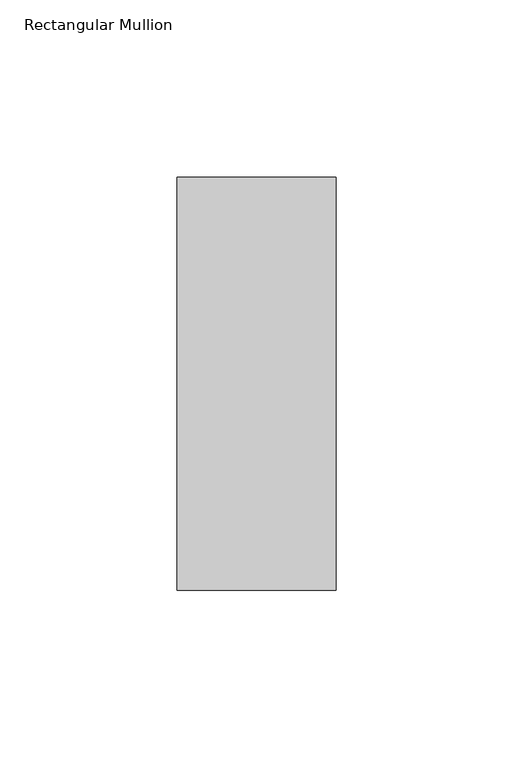
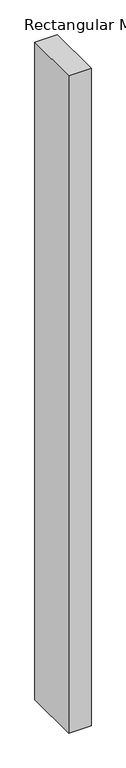
"""IFC4 building model written with IfcOpenShell, lengths in millimetres: member geometry, Rectangular Mullion."""

import ifcopenshell
import ifcopenshell.guid

model = None  # the IFC model being written
_history = None  # IfcOwnerHistory: only IFC2X3 demands one
_inside = {}  # id of a spatial element -> (the spatial element, [elements in it])
_under = {}  # id of a project, library or spatial element -> (it, [spatial elements below it])
_declared = {}  # id of a project -> (the project, [libraries it declares])
_typed = {}  # id of a type object -> (the type object, [elements of that type])
_made_of = {}  # id of a material, layer set ... -> (it, [elements and type objects made of it])


def new_model(schema):
    """Start an empty IFC model of exactly this schema.

    Asked for "IFC4X3", IfcOpenShell would pick the latest addendum, in which some entities
    have other attributes; the version numbers below select the first issue.
    IFC2X3 requires an IfcOwnerHistory on every rooted entity: one is made here for all.
    """
    global model, _history
    if schema == "IFC4X3":
        model = ifcopenshell.file(schema_version=(4, 3, 0, 0))
    else:
        model = ifcopenshell.file(schema=schema)
    _inside.clear()
    _under.clear()
    _declared.clear()
    _typed.clear()
    _made_of.clear()
    _history = None
    if model.schema == "IFC2X3":
        org = make("IfcOrganization", Name="unknown")
        user = make(
            "IfcPersonAndOrganization",
            ThePerson=make("IfcPerson", FamilyName="unknown"),
            TheOrganization=org,
        )
        app = make(
            "IfcApplication",
            ApplicationDeveloper=org,
            Version="unknown",
            ApplicationFullName="unknown",
            ApplicationIdentifier="unknown",
        )
        _history = make(
            "IfcOwnerHistory",
            OwningUser=user,
            OwningApplication=app,
            ChangeAction="ADDED",
            CreationDate=0,
        )
    return model


def make(cls, **values):
    """One entity of the class cls with the attributes given. An attribute that is None is left unset."""
    return model.create_entity(
        cls, **{name: value for name, value in values.items() if value is not None}
    )


def rooted(cls, **values):
    """An entity with a GlobalId (a new one), such as an element, a storey or a relation."""
    return make(cls, GlobalId=ifcopenshell.guid.new(), OwnerHistory=_history, **values)


def si_unit(unit_type, name, prefix=None):
    """IfcSIUnit, for example si_unit("LENGTHUNIT", "METRE", prefix="MILLI")."""
    return make("IfcSIUnit", UnitType=unit_type, Prefix=prefix, Name=name)


def assignment(units):
    """IfcUnitAssignment: the units of a project."""
    return None if units is None else make("IfcUnitAssignment", Units=units)


def point(xyz):
    """IfcCartesianPoint."""
    return None if xyz is None else make("IfcCartesianPoint", Coordinates=xyz)


def direction(xyz):
    """IfcDirection."""
    return None if xyz is None else make("IfcDirection", DirectionRatios=xyz)


def frame(location, z_axis=None, x_axis=None):
    """IfcAxis2Placement3D, a coordinate frame: its origin and axes. An axis left out is left unset."""
    return make(
        "IfcAxis2Placement3D",
        Location=point(location),
        Axis=direction(z_axis),
        RefDirection=direction(x_axis),
    )


def origin():
    """The frame at (0, 0, 0) with its axes left unset."""
    return frame((0.0, 0.0, 0.0))


def place(relative_to, where):
    """IfcLocalPlacement: puts the frame where relative to a parent placement (None: the world)."""
    return make(
        "IfcLocalPlacement", PlacementRelTo=relative_to, RelativePlacement=where
    )


def context(
    kind, dimensions, precision=None, world=None, true_north=None, identifier=None
):
    """IfcGeometricRepresentationContext, for example the 3D "Model" context."""
    return make(
        "IfcGeometricRepresentationContext",
        ContextIdentifier=identifier,
        ContextType=kind,
        CoordinateSpaceDimension=dimensions,
        Precision=precision,
        WorldCoordinateSystem=world,
        TrueNorth=true_north,
    )


def project(units=None, contexts=None):
    """IfcProject with its units and contexts."""
    return rooted(
        "IfcProject",
        Name="project",
        RepresentationContexts=contexts,
        UnitsInContext=assignment(units),
    )


def spatial(cls, under=None, at=None, **own):
    """A site, building, storey or space (cls), placed at a placement, below another one or the project."""
    s = rooted(cls, ObjectPlacement=at, **own)
    if under is not None:
        _under.setdefault(under.id(), (under, []))[1].append(s)
    return s


def polyline(points):
    """IfcPolyline through the points."""
    return make("IfcPolyline", Points=[point(p) for p in points])


def outline(outer, holes=None, kind="AREA"):
    """IfcArbitraryClosedProfileDef: a profile drawn as a closed curve; with holes, ...WithVoids."""
    if holes is None:
        return make("IfcArbitraryClosedProfileDef", ProfileType=kind, OuterCurve=outer)
    return make(
        "IfcArbitraryProfileDefWithVoids",
        ProfileType=kind,
        OuterCurve=outer,
        InnerCurves=holes,
    )


def extrude(swept, where, along, depth):
    """IfcExtrudedAreaSolid: the profile swept, set in the frame where, extruded along a direction by depth."""
    return make(
        "IfcExtrudedAreaSolid",
        SweptArea=swept,
        Position=where,
        ExtrudedDirection=direction(along),
        Depth=depth,
    )


def shape(context_of_items, identifier, shape_type, items):
    """IfcShapeRepresentation: the items that make up one representation, for example the "Body"."""
    return make(
        "IfcShapeRepresentation",
        ContextOfItems=context_of_items,
        RepresentationIdentifier=identifier,
        RepresentationType=shape_type,
        Items=items,
    )


def source(mapping_origin, context_of_items, identifier, shape_type, items):
    """IfcRepresentationMap: a shape defined once, which mapped items show again and again."""
    return make(
        "IfcRepresentationMap",
        MappingOrigin=mapping_origin,
        MappedRepresentation=shape(context_of_items, identifier, shape_type, items),
    )


def transform(
    local_origin,
    x_axis=None,
    y_axis=None,
    z_axis=None,
    scale=None,
    scale2=None,
    scale3=None,
    uniform=True,
):
    """IfcCartesianTransformationOperator3D, or its non-uniform kind. x_axis, y_axis, z_axis: its Axis1, 2, 3."""
    if uniform:
        return make(
            "IfcCartesianTransformationOperator3D",
            Axis1=direction(x_axis),
            Axis2=direction(y_axis),
            LocalOrigin=point(local_origin),
            Scale=scale,
            Axis3=direction(z_axis),
        )
    return make(
        "IfcCartesianTransformationOperator3DnonUniform",
        Axis1=direction(x_axis),
        Axis2=direction(y_axis),
        LocalOrigin=point(local_origin),
        Scale=scale,
        Axis3=direction(z_axis),
        Scale2=scale2,
        Scale3=scale3,
    )


def mapped(mapping_source, mapping_target):
    """IfcMappedItem: shows the shape of a source again, moved by a transform."""
    return make(
        "IfcMappedItem", MappingSource=mapping_source, MappingTarget=mapping_target
    )


def made_of(thing, what):
    """Note that an element or type object is made of a material, layer set ...; save() writes the relation."""
    if what is not None:
        _made_of.setdefault(what.id(), (what, []))[1].append(thing)
    return thing


def element(
    cls,
    number,
    at=None,
    inside=None,
    cuts=None,
    type_object=None,
    material=None,
    context=None,
    identifier="Body",
    shape_type=None,
    held_by="IfcProductDefinitionShape",
    body=None,
    shapes=None,
    **own,
):
    """One element of the class cls, such as IfcWall. Its Tag is "e" and its number.

    at: its placement. inside: the storey or other place that contains it. cuts: it is an
    opening in that element (IfcRelVoidsElement). A single representation is given by context,
    identifier, shape_type and body (its items); several are given by shapes. held_by: the class
    of the entity that holds the representations. save() writes the other relations.
    """
    e = rooted(cls, Tag="e%d" % number, ObjectPlacement=at, **own)
    if body is not None:
        shapes = [shape(context, identifier, shape_type, body)]
    if shapes is not None:
        e.Representation = make(held_by, Representations=shapes)
    if inside is not None:
        _inside.setdefault(inside.id(), (inside, []))[1].append(e)
    if cuts is not None:
        rooted(
            "IfcRelVoidsElement", RelatingBuildingElement=cuts, RelatedOpeningElement=e
        )
    if type_object is not None:
        _typed.setdefault(type_object.id(), (type_object, []))[1].append(e)
    return made_of(e, material)


def aggregate(whole, parts):
    """IfcRelAggregates: a whole, such as a stair, and the parts it consists of."""
    return rooted("IfcRelAggregates", RelatingObject=whole, RelatedObjects=parts)


def save(model, path):
    """Write the relations noted so far, then the file.

    IfcRelAggregates (storeys below a building ...), IfcRelContainedInSpatialStructure (elements
    in a storey), IfcRelDefinesByType, IfcRelAssociatesMaterial and IfcRelDeclares: one each for
    every whole, place, type object, material and project.
    """
    for whole, parts in _under.values():
        aggregate(whole, parts)
    for where, things in _inside.values():
        rooted(
            "IfcRelContainedInSpatialStructure",
            RelatedElements=things,
            RelatingStructure=where,
        )
    for kind, things in _typed.values():
        rooted("IfcRelDefinesByType", RelatedObjects=things, RelatingType=kind)
    for what, things in _made_of.values():
        rooted("IfcRelAssociatesMaterial", RelatedObjects=things, RelatingMaterial=what)
    for by, libraries in _declared.values():
        rooted("IfcRelDeclares", RelatingContext=by, RelatedDefinitions=libraries)
    model.write(path)


def rectangular_mullion_65fed902(model_context):
    return source(origin(), model_context, "Body", "SweptSolid", [
        extrude(outline(polyline([(0.0, 73.875), (0.0, -42.8257813), (-45.0453125, -42.8257813), (-45.0453125, 73.875), (0.0, 73.875)])), frame((0.0, 0.0, -1391.046875), z_axis=(0.0, 0.0, 1.0), x_axis=(1.0, 0.0, 0.0)), (0.0, 0.0, 1.0), 1391.046875),
    ])


if __name__ == "__main__":
    model = new_model("IFC4")
    model_context = context("Model", 3, world=origin())
    ifc_project = project(units=[si_unit("LENGTHUNIT", "METRE", prefix="MILLI")], contexts=[model_context])
    site = spatial("IfcSite", under=ifc_project)
    building = spatial("IfcBuilding", under=site)
    placement = place(None, origin())
    rectangular_mullion_shape = rectangular_mullion_65fed902(model_context)
    element("IfcMember", 1, ObjectType="Rectangular Mullion", at=placement, inside=building, context=model_context, shape_type="MappedRepresentation", body=[
        mapped(rectangular_mullion_shape, transform((0.0, 0.0, 0.0), x_axis=(1.0, 0.0, 0.0), y_axis=(0.0, 1.0, 0.0), z_axis=(0.0, 0.0, 1.0))),
    ])
    save(model, "model.ifc")
